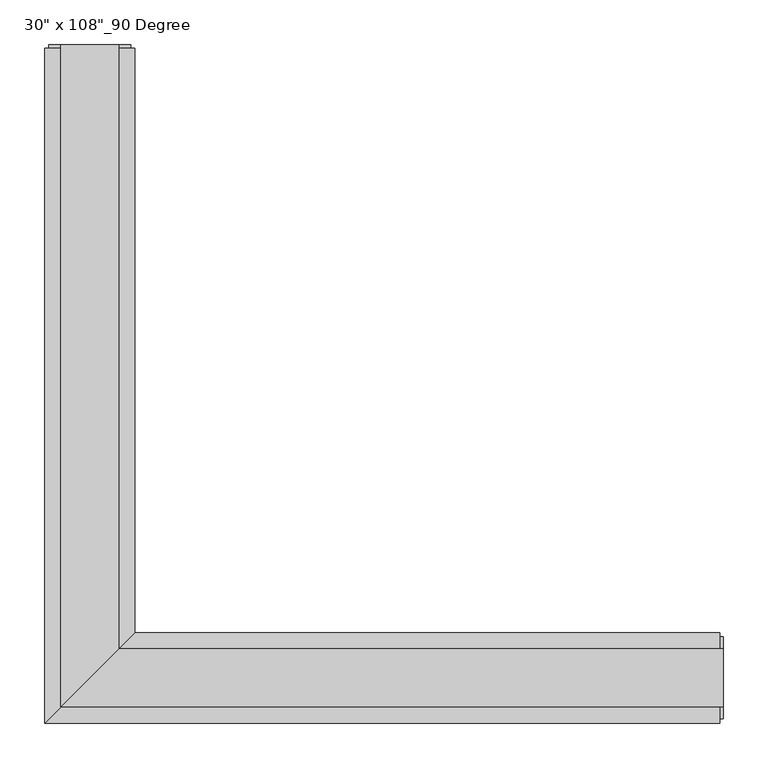
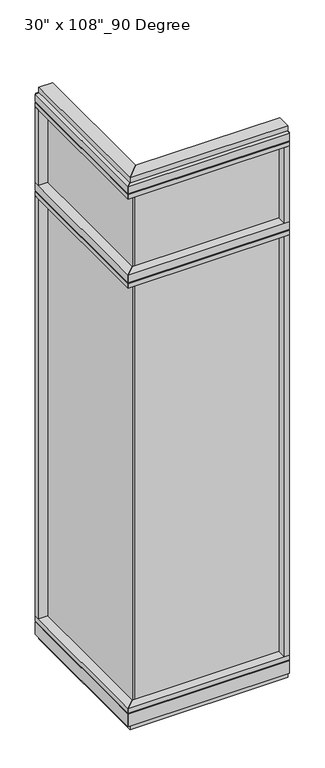
"""IFC4 building model written with IfcOpenShell, lengths in millimetres: furniture geometry."""

from ifc_helpers import new_model, si_unit, frame, origin, origin_with_axes, place, context, project, spatial, polyline, outline, extrude, faceted_brep, source, transform, mapped, element, save


def furniture_868cc661(model_context):
    return source(origin(), model_context, "Body", "SolidModel", [
        extrude(outline(polyline([(-395.3165229, 680.5202784), (-385.1565229, 680.5202784), (-385.1565229, -9.5977216), (-395.3165229, -9.5977216), (-395.3165229, 680.5202784)])), frame((0.0, 0.0, 2276.475), z_axis=(0.0, 0.0, 1.0), x_axis=(1.0, 0.0, 0.0)), (0.0, 0.0, 1.0), 355.6),
        extrude(outline(polyline([(-395.3165229, 680.5202784), (-385.1565229, 680.5202784), (-385.1565229, -9.5977216), (-395.3165229, -9.5977216), (-395.3165229, 680.5202784)])), frame((0.0, 0.0, 120.523), z_axis=(0.0, 0.0, 1.0), x_axis=(1.0, 0.0, 0.0)), (0.0, 0.0, 1.0), 2114.677),
        extrude(outline(polyline([(-339.4365229, 702.7452784), (-339.4365229, 46.2822784), (-441.0365229, -55.3177216), (-441.0365229, 702.7452784), (-339.4365229, 702.7452784)])), frame((0.0, 0.0, 2212.975), z_axis=(0.0, 0.0, 1.0), x_axis=(1.0, 0.0, 0.0)), (0.0, 0.0, 1.0), 22.225),
        faceted_brep([(-339.4365229, 46.2822784, 2240.153), (-339.4365229, 46.2822784, 2276.475), (-441.0365229, -55.3177216, 2276.475), (-441.0365229, -55.3177216, 2240.153), (-436.0835229, -50.3647216, 2240.153), (-436.0835229, -50.3647216, 2235.2), (-344.3895229, 41.3292784, 2235.2), (-344.3895229, 41.3292784, 2240.153), (-339.4365229, 702.7452784, 2240.153), (-344.3895229, 702.7452784, 2240.153), (-344.3895229, 702.7452784, 2235.2), (-436.0835229, 702.7452784, 2235.2), (-436.0835229, 702.7452784, 2240.153), (-441.0365229, 702.7452784, 2240.153), (-441.0365229, 702.7452784, 2276.475), (-339.4365229, 702.7452784, 2276.475)], [[[0, 1, 2, 3, 4, 5, 6, 7]], [[8, 9, 10, 11, 12, 13, 14, 15]], [[8, 0, 7, 9]], [[13, 3, 2, 14]], [[14, 2, 1, 15]], [[15, 1, 0, 8]], [[9, 7, 6, 10]], [[10, 6, 5, 11]], [[11, 5, 4, 12]], [[12, 4, 3, 13]]]),
        extrude(outline(polyline([(-441.0365229, 680.5202784), (-441.0365229, 702.7452784), (-339.4365229, 702.7452784), (-339.4365229, 680.5202784), (-441.0365229, 680.5202784)])), frame((0.0, 0.0, 2276.475), z_axis=(0.0, 0.0, 1.0), x_axis=(1.0, 0.0, 0.0)), (0.0, 0.0, 1.0), 377.825),
        extrude(outline(polyline([(-339.4365229, 702.7452784), (-339.4365229, 46.2822784), (-441.0365229, -55.3177216), (-441.0365229, 702.7452784), (-339.4365229, 702.7452784)])), frame((0.0, 0.0, 2654.3), z_axis=(0.0, 0.0, 1.0), x_axis=(1.0, 0.0, 0.0)), (0.0, 0.0, 1.0), 22.225),
        faceted_brep([(-339.4365229, 46.2822784, 2681.478), (-339.4365229, 46.2822784, 2717.8), (-441.0365229, -55.3177216, 2717.8), (-441.0365229, -55.3177216, 2681.478), (-436.0835229, -50.3647216, 2681.478), (-436.0835229, -50.3647216, 2676.525), (-344.3895229, 41.3292784, 2676.525), (-344.3895229, 41.3292784, 2681.478), (-339.4365229, 702.7452784, 2681.478), (-344.3895229, 702.7452784, 2681.478), (-344.3895229, 702.7452784, 2676.525), (-436.0835229, 702.7452784, 2676.525), (-436.0835229, 702.7452784, 2681.478), (-441.0365229, 702.7452784, 2681.478), (-441.0365229, 702.7452784, 2717.8), (-339.4365229, 702.7452784, 2717.8)], [[[0, 1, 2, 3, 4, 5, 6, 7]], [[8, 9, 10, 11, 12, 13, 14, 15]], [[8, 0, 7, 9]], [[13, 3, 2, 14]], [[14, 2, 1, 15]], [[15, 1, 0, 8]], [[9, 7, 6, 10]], [[10, 6, 5, 11]], [[11, 5, 4, 12]], [[12, 4, 3, 13]]]),
        extrude(outline(polyline([(-357.7245229, 706.6822784), (-357.7245229, 27.9942784), (-422.7485229, -37.0297216), (-422.7485229, 706.6822784), (-357.7245229, 706.6822784)])), frame((0.0, 0.0, 2717.8), z_axis=(0.0, 0.0, 1.0), x_axis=(1.0, 0.0, 0.0)), (0.0, 0.0, 1.0), 25.4),
        faceted_brep([(-344.3895229, 41.3292784, 93.345), (-344.3895229, 41.3292784, 98.298), (-436.0835229, -50.3647216, 98.298), (-436.0835229, -50.3647216, 93.345), (-441.0365229, -55.3177216, 93.345), (-441.0365229, -55.3177216, 31.75), (-339.4365229, 46.2822784, 31.75), (-339.4365229, 46.2822784, 93.345), (-339.4365229, 702.7452784, 93.345), (-339.4365229, 702.7452784, 31.75), (-441.0365229, 702.7452784, 31.75), (-441.0365229, 702.7452784, 93.345), (-436.0835229, 702.7452784, 93.345), (-436.0835229, 702.7452784, 98.298), (-344.3895229, 702.7452784, 98.298), (-344.3895229, 702.7452784, 93.345)], [[[0, 1, 2, 3, 4, 5, 6, 7]], [[8, 9, 10, 11, 12, 13, 14, 15]], [[15, 0, 7, 8]], [[10, 5, 4, 11]], [[9, 6, 5, 10]], [[8, 7, 6, 9]], [[14, 1, 0, 15]], [[13, 2, 1, 14]], [[12, 3, 2, 13]], [[11, 4, 3, 12]]]),
        extrude(outline(polyline([(-339.4365229, 702.7452784), (-339.4365229, 46.2822784), (-441.0365229, -55.3177216), (-441.0365229, 702.7452784), (-339.4365229, 702.7452784)])), frame((0.0, 0.0, 98.298), z_axis=(0.0, 0.0, 1.0), x_axis=(1.0, 0.0, 0.0)), (0.0, 0.0, 1.0), 22.225),
        extrude(outline(polyline([(-357.7245229, 706.6822784), (-357.7245229, 27.9942784), (-422.7485229, -37.0297216), (-422.7485229, 706.6822784), (-357.7245229, 706.6822784)])), origin_with_axes(), (0.0, 0.0, 1.0), 31.75),
        extrude(outline(polyline([(-441.0365229, 680.5202784), (-441.0365229, 702.7452784), (-339.4365229, 702.7452784), (-339.4365229, 680.5202784), (-441.0365229, 680.5202784)])), frame((0.0, 0.0, 120.523), z_axis=(0.0, 0.0, 1.0), x_axis=(1.0, 0.0, 0.0)), (0.0, 0.0, 1.0), 2092.452),
        extrude(outline(polyline([(-436.0835229, 706.6822784), (-344.3895229, 706.6822784), (-344.3895229, 702.7452784), (-436.0835229, 702.7452784), (-436.0835229, 706.6822784)])), frame((0.0, 0.0, 31.75), z_axis=(0.0, 0.0, 1.0), x_axis=(1.0, 0.0, 0.0)), (0.0, 0.0, 1.0), 2686.05),
        extrude(outline(polyline([(294.8014771, -9.5977216), (-395.3165229, -9.5977216), (-395.3165229, 0.5622784), (294.8014771, 0.5622784), (294.8014771, -9.5977216)])), frame((0.0, 0.0, 2276.475), z_axis=(0.0, 0.0, 1.0), x_axis=(1.0, 0.0, 0.0)), (0.0, 0.0, 1.0), 355.6),
        extrude(outline(polyline([(294.8014771, -9.5977216), (-395.3165229, -9.5977216), (-395.3165229, 0.5622784), (294.8014771, 0.5622784), (294.8014771, -9.5977216)])), frame((0.0, 0.0, 120.523), z_axis=(0.0, 0.0, 1.0), x_axis=(1.0, 0.0, 0.0)), (0.0, 0.0, 1.0), 2114.677),
        extrude(outline(polyline([(317.0264771, 46.2822784), (317.0264771, -55.3177216), (-441.0365229, -55.3177216), (-339.4365229, 46.2822784), (317.0264771, 46.2822784)])), frame((0.0, 0.0, 2212.975), z_axis=(0.0, 0.0, 1.0), x_axis=(1.0, 0.0, 0.0)), (0.0, 0.0, 1.0), 22.225),
        faceted_brep([(-339.4365229, 46.2822784, 2240.153), (-344.3895229, 41.3292784, 2240.153), (-344.3895229, 41.3292784, 2235.2), (-436.0835229, -50.3647216, 2235.2), (-436.0835229, -50.3647216, 2240.153), (-441.0365229, -55.3177216, 2240.153), (-441.0365229, -55.3177216, 2276.475), (-339.4365229, 46.2822784, 2276.475), (317.0264771, 46.2822784, 2240.153), (317.0264771, 46.2822784, 2276.475), (317.0264771, -55.3177216, 2276.475), (317.0264771, -55.3177216, 2240.153), (317.0264771, -50.3647216, 2240.153), (317.0264771, -50.3647216, 2235.2), (317.0264771, 41.3292784, 2235.2), (317.0264771, 41.3292784, 2240.153)], [[[0, 1, 2, 3, 4, 5, 6, 7]], [[8, 9, 10, 11, 12, 13, 14, 15]], [[8, 15, 1, 0]], [[11, 10, 6, 5]], [[10, 9, 7, 6]], [[9, 8, 0, 7]], [[15, 14, 2, 1]], [[14, 13, 3, 2]], [[13, 12, 4, 3]], [[12, 11, 5, 4]]]),
        extrude(outline(polyline([(294.8014771, -55.3177216), (294.8014771, 46.2822784), (317.0264771, 46.2822784), (317.0264771, -55.3177216), (294.8014771, -55.3177216)])), frame((0.0, 0.0, 2276.475), z_axis=(0.0, 0.0, 1.0), x_axis=(1.0, 0.0, 0.0)), (0.0, 0.0, 1.0), 377.825),
        extrude(outline(polyline([(317.0264771, 46.2822784), (317.0264771, -55.3177216), (-441.0365229, -55.3177216), (-339.4365229, 46.2822784), (317.0264771, 46.2822784)])), frame((0.0, 0.0, 2654.3), z_axis=(0.0, 0.0, 1.0), x_axis=(1.0, 0.0, 0.0)), (0.0, 0.0, 1.0), 22.225),
        faceted_brep([(-339.4365229, 46.2822784, 2681.478), (-344.3895229, 41.3292784, 2681.478), (-344.3895229, 41.3292784, 2676.525), (-436.0835229, -50.3647216, 2676.525), (-436.0835229, -50.3647216, 2681.478), (-441.0365229, -55.3177216, 2681.478), (-441.0365229, -55.3177216, 2717.8), (-339.4365229, 46.2822784, 2717.8), (317.0264771, 46.2822784, 2681.478), (317.0264771, 46.2822784, 2717.8), (317.0264771, -55.3177216, 2717.8), (317.0264771, -55.3177216, 2681.478), (317.0264771, -50.3647216, 2681.478), (317.0264771, -50.3647216, 2676.525), (317.0264771, 41.3292784, 2676.525), (317.0264771, 41.3292784, 2681.478)], [[[0, 1, 2, 3, 4, 5, 6, 7]], [[8, 9, 10, 11, 12, 13, 14, 15]], [[8, 15, 1, 0]], [[11, 10, 6, 5]], [[10, 9, 7, 6]], [[9, 8, 0, 7]], [[15, 14, 2, 1]], [[14, 13, 3, 2]], [[13, 12, 4, 3]], [[12, 11, 5, 4]]]),
        extrude(outline(polyline([(320.9634771, 27.9942784), (320.9634771, -37.0297216), (-422.7485229, -37.0297216), (-357.7245229, 27.9942784), (320.9634771, 27.9942784)])), frame((0.0, 0.0, 2717.8), z_axis=(0.0, 0.0, 1.0), x_axis=(1.0, 0.0, 0.0)), (0.0, 0.0, 1.0), 25.4),
        faceted_brep([(-344.3895229, 41.3292784, 93.345), (-339.4365229, 46.2822784, 93.345), (-339.4365229, 46.2822784, 31.75), (-441.0365229, -55.3177216, 31.75), (-441.0365229, -55.3177216, 93.345), (-436.0835229, -50.3647216, 93.345), (-436.0835229, -50.3647216, 98.298), (-344.3895229, 41.3292784, 98.298), (317.0264771, 46.2822784, 93.345), (317.0264771, 41.3292784, 93.345), (317.0264771, 41.3292784, 98.298), (317.0264771, -50.3647216, 98.298), (317.0264771, -50.3647216, 93.345), (317.0264771, -55.3177216, 93.345), (317.0264771, -55.3177216, 31.75), (317.0264771, 46.2822784, 31.75)], [[[0, 1, 2, 3, 4, 5, 6, 7]], [[8, 9, 10, 11, 12, 13, 14, 15]], [[9, 8, 1, 0]], [[14, 13, 4, 3]], [[15, 14, 3, 2]], [[8, 15, 2, 1]], [[10, 9, 0, 7]], [[11, 10, 7, 6]], [[12, 11, 6, 5]], [[13, 12, 5, 4]]]),
        extrude(outline(polyline([(317.0264771, 46.2822784), (317.0264771, -55.3177216), (-441.0365229, -55.3177216), (-339.4365229, 46.2822784), (317.0264771, 46.2822784)])), frame((0.0, 0.0, 98.298), z_axis=(0.0, 0.0, 1.0), x_axis=(1.0, 0.0, 0.0)), (0.0, 0.0, 1.0), 22.225),
        extrude(outline(polyline([(320.9634771, 27.9942784), (320.9634771, -37.0297216), (-422.7485229, -37.0297216), (-357.7245229, 27.9942784), (320.9634771, 27.9942784)])), origin_with_axes(), (0.0, 0.0, 1.0), 31.75),
        extrude(outline(polyline([(294.8014771, -55.3177216), (294.8014771, 46.2822784), (317.0264771, 46.2822784), (317.0264771, -55.3177216), (294.8014771, -55.3177216)])), frame((0.0, 0.0, 120.523), z_axis=(0.0, 0.0, 1.0), x_axis=(1.0, 0.0, 0.0)), (0.0, 0.0, 1.0), 2092.452),
        extrude(outline(polyline([(320.9634771, -50.3647216), (317.0264771, -50.3647216), (317.0264771, 41.3292784), (320.9634771, 41.3292784), (320.9634771, -50.3647216)])), frame((0.0, 0.0, 31.75), z_axis=(0.0, 0.0, 1.0), x_axis=(1.0, 0.0, 0.0)), (0.0, 0.0, 1.0), 2686.05),
    ])


if __name__ == "__main__":
    model = new_model("IFC4")
    model_context = context("Model", 3, world=origin())
    ifc_project = project(units=[si_unit("LENGTHUNIT", "METRE", prefix="MILLI")], contexts=[model_context])
    site = spatial("IfcSite", under=ifc_project)
    building = spatial("IfcBuilding", under=site)
    placement = place(None, origin())
    furniture_shape = furniture_868cc661(model_context)
    element("IfcFurniture", 1, ObjectType="30\" x 108\"_90 Degree", at=placement, inside=building, context=model_context, shape_type="MappedRepresentation", body=[
        mapped(furniture_shape, transform((0.0, 0.0, 0.0), x_axis=(1.0, 0.0, 0.0), y_axis=(0.0, 1.0, 0.0), z_axis=(0.0, 0.0, 1.0))),
    ])
    save(model, "model.ifc")
